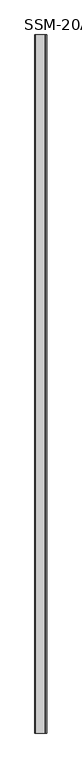
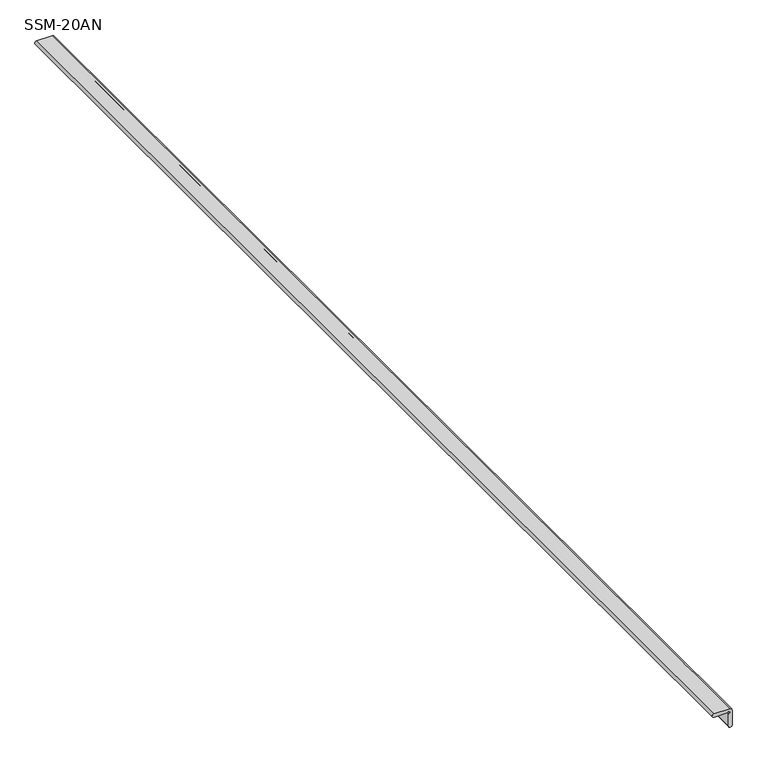
"""IFC4 building model written with IfcOpenShell, lengths in millimetres: proxy geometry, SSM-20AN."""

from ifc_helpers import new_model, si_unit, point, frame, frame_2d, origin, place, context, project, spatial, polyline, circle_curve, trimmed, segment, composite_curve, outline, extrude, source, transform, mapped, element, save


def ssm_20an_785d9c91(model_context):
    return source(origin(), model_context, "Body", "SweptSolid", [
        extrude(outline(composite_curve([segment(polyline([(0.0015464, -36.4763516), (0.0015464, -3.2084097)]), True, "CONTINUOUS"), segment(trimmed(circle_curve(frame_2d((-0.0544644, -0.0181599)), 3.1907415), [point((0.0015464, -3.2084097))], [point((-3.2435486, 0.0846667))], True, "CARTESIAN"), True, "CONTINUOUS"), segment(polyline([(-3.2435486, 0.0846667), (-36.5336667, 0.0846667)]), True, "CONTINUOUS"), segment(trimmed(circle_curve(frame_2d((-36.6681578, 4.8040601)), 4.7213094), [point((-36.5336667, 0.0846667))], [point((-37.3017215, 9.4826667))], False, "CARTESIAN"), True, "CONTINUOUS"), segment(polyline([(-37.3017215, 9.4826667), (2.3257074, 9.4826667)]), True, "CONTINUOUS"), segment(trimmed(circle_curve(frame_2d((3.0571809, 3.1391278)), 6.3855727), [point((2.3257074, 9.4826667))], [point((9.4403333, 2.9633333))], False, "CARTESIAN"), True, "CONTINUOUS"), segment(polyline([(9.4403333, 2.9633333), (9.4403333, -36.7453333)]), True, "CONTINUOUS"), segment(trimmed(circle_curve(frame_2d((4.7209399, -36.6108427)), 4.7213094), [point((9.4403333, -36.7453333))], [point((0.0015464, -36.4763516))], False, "CARTESIAN"), True, "CONTINUOUS")], self_intersect=False)), frame((0.0, -1141.4125, 0.0), z_axis=(0.0, 1.0, 0.0), x_axis=(0.0, 0.0, 1.0)), (0.0, 0.0, 1.0), 3021.0125),
    ])


if __name__ == "__main__":
    model = new_model("IFC4")
    model_context = context("Model", 3, world=origin())
    ifc_project = project(units=[si_unit("LENGTHUNIT", "METRE", prefix="MILLI")], contexts=[model_context])
    site = spatial("IfcSite", under=ifc_project)
    building = spatial("IfcBuilding", under=site)
    placement = place(None, origin())
    ssm_20an_shape = ssm_20an_785d9c91(model_context)
    element("IfcBuildingElementProxy", 1, Name="SSM-20AN", ObjectType="SSM-20AN", at=placement, inside=building, context=model_context, shape_type="MappedRepresentation", body=[
        mapped(ssm_20an_shape, transform((0.0, 0.0, 0.0), x_axis=(1.0, 0.0, 0.0), y_axis=(0.0, 1.0, 0.0), z_axis=(0.0, 0.0, 1.0))),
    ])
    save(model, "model.ifc")
